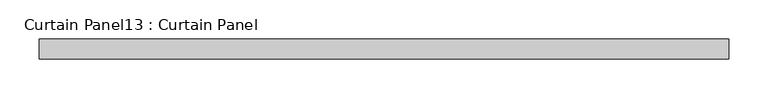
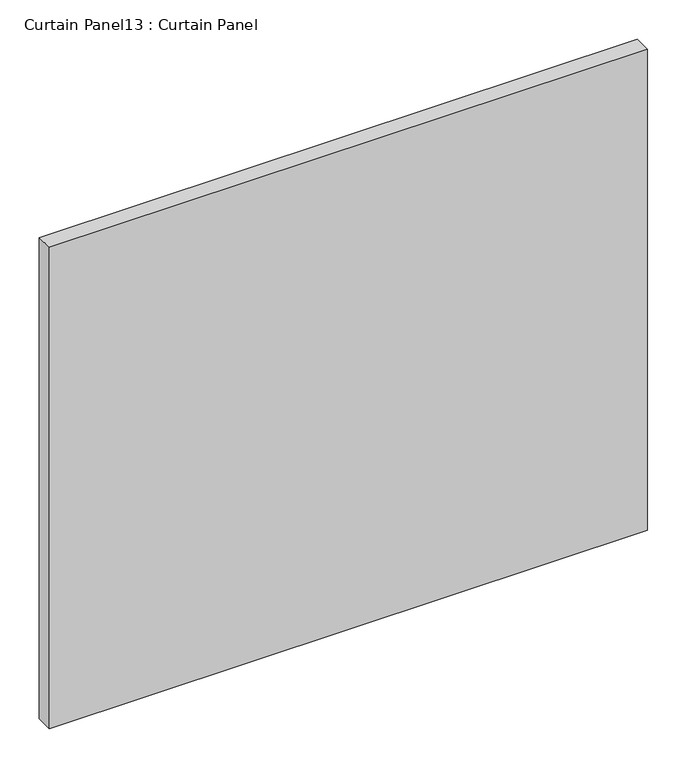
"""IFC4 building model written with IfcOpenShell, lengths in millimetres: plate geometry, Curtain Panel13 : Curtain Panel."""

from ifc_helpers import new_model, si_unit, frame, origin, place, context, project, spatial, polyline, outline, extrude, source, transform, mapped, element, save


def curtain_panel13_curtain_panel_d5b37389(model_context):
    return source(origin(), model_context, "Body", "SweptSolid", [
        extrude(outline(polyline([(-44606.2832062, -2011.9422349), (-45485.3065538, -2011.9422349), (-45485.3065538, -1986.5422349), (-44606.2832062, -1986.5422349), (-44606.2832062, -2011.9422349)])), frame((0.0, 0.0, 1691.4966884), z_axis=(0.0, 0.0, 1.0), x_axis=(1.0, 0.0, 0.0)), (0.0, 0.0, 1.0), 747.1178321),
    ])


if __name__ == "__main__":
    model = new_model("IFC4")
    model_context = context("Model", 3, world=origin())
    ifc_project = project(units=[si_unit("LENGTHUNIT", "METRE", prefix="MILLI")], contexts=[model_context])
    site = spatial("IfcSite", under=ifc_project)
    building = spatial("IfcBuilding", under=site)
    placement = place(None, origin())
    curtain_panel13_curtain_panel_shape = curtain_panel13_curtain_panel_d5b37389(model_context)
    element("IfcPlate", 1, ObjectType="Curtain Panel13 : Curtain Panel", at=placement, inside=building, context=model_context, shape_type="MappedRepresentation", body=[
        mapped(curtain_panel13_curtain_panel_shape, transform((0.0, 0.0, 0.0), x_axis=(1.0, 0.0, 0.0), y_axis=(0.0, 1.0, 0.0), z_axis=(0.0, 0.0, 1.0))),
    ])
    save(model, "model.ifc")
